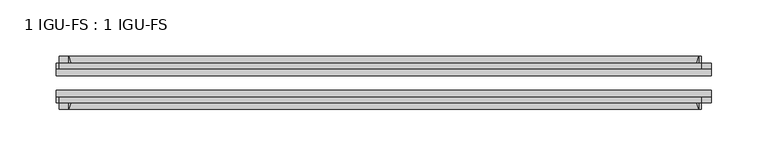
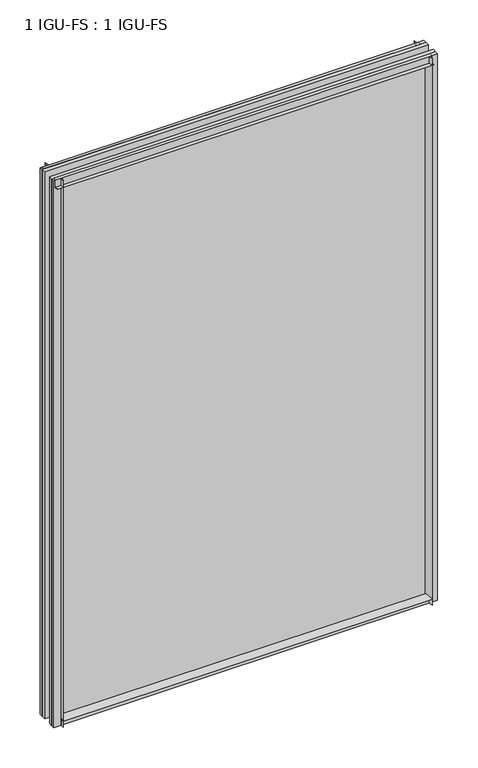
"""IFC4 building model written with IfcOpenShell, lengths in millimetres: plate geometry, 1 IGU-FS : 1 IGU-FS."""

from ifc_helpers import new_model, si_unit, point, frame, frame_2d, origin, place, context, project, spatial, polyline, circle_curve, trimmed, segment, composite_curve, outline, extrude, source, transform, mapped, element, save


def plate_1_igu_fs_1_igu_fs_018899ae(model_context):
    return source(origin(), model_context, "Body", "SweptSolid", [
        extrude(outline(composite_curve([segment(polyline([(-44.859575, -9.525), (-44.859575, 0.0), (-50.8285753, 0.0)]), True, "CONTINUOUS"), segment(trimmed(circle_curve(frame_2d((-56.4601953, 32.279754)), 32.7673262), [point((-50.8285753, 0.0))], [point((-40.084375, 3.8978906))], True, "CARTESIAN"), True, "CONTINUOUS"), segment(polyline([(-40.084375, 3.8978906), (-40.084375, -9.525), (-44.859575, -9.525)]), True, "CONTINUOUS")], self_intersect=False)), frame((-279.3996031, 0.0, 0.0), z_axis=(1.0, 0.0, 0.0), x_axis=(0.0, 1.0, 0.0)), (0.0, 0.0, 1.0), 558.7992062),
        extrude(outline(composite_curve([segment(polyline([(-9.909175, -9.525), (-14.684375, -9.525), (-14.684375, 3.8978906)]), True, "CONTINUOUS"), segment(trimmed(circle_curve(frame_2d((1.6914453, 32.279754)), 32.7673262), [point((-14.684375, 3.8978906))], [point((-3.9401747, 0.0))], True, "CARTESIAN"), True, "CONTINUOUS"), segment(polyline([(-3.9401747, 0.0), (-9.909175, 0.0), (-9.909175, -9.525)]), True, "CONTINUOUS")], self_intersect=False)), frame((-279.3996031, 0.0, 0.0), z_axis=(1.0, 0.0, 0.0), x_axis=(0.0, 1.0, 0.0)), (0.0, 0.0, 1.0), 558.7992062),
        extrude(outline(composite_curve([segment(polyline([(-9.909175, 865.1875), (-9.909175, 854.075), (-3.9401753, 854.075)]), True, "CONTINUOUS"), segment(trimmed(circle_curve(frame_2d((1.6914453, 821.7952461)), 32.7673262), [point((-3.9401753, 854.075))], [point((-14.684375, 850.1771095))], True, "CARTESIAN"), True, "CONTINUOUS"), segment(polyline([(-14.684375, 850.1771095), (-14.684375, 865.1875), (-9.909175, 865.1875)]), True, "CONTINUOUS")], self_intersect=False)), frame((-287.9123418, 0.0, 0.0), z_axis=(1.0, 0.0, 0.0), x_axis=(0.0, 1.0, 0.0)), (0.0, 0.0, 1.0), 569.8579064),
        extrude(outline(composite_curve([segment(polyline([(-40.084375, 865.1875), (-40.084375, 850.1771095)]), True, "CONTINUOUS"), segment(trimmed(circle_curve(frame_2d((-56.4601953, 821.7952461)), 32.7673262), [point((-40.084375, 850.1771095))], [point((-50.8285747, 854.075))], True, "CARTESIAN"), True, "CONTINUOUS"), segment(polyline([(-50.8285747, 854.075), (-44.859575, 854.075), (-44.859575, 865.1875), (-40.084375, 865.1875)]), True, "CONTINUOUS")], self_intersect=False)), frame((-287.9123418, 0.0, 0.0), z_axis=(1.0, 0.0, 0.0), x_axis=(0.0, 1.0, 0.0)), (0.0, 0.0, 1.0), 569.8579064),
        extrude(outline(composite_curve([segment(polyline([(290.5121031, -9.909175), (290.5121031, -14.684375), (275.5017126, -14.684375)]), True, "CONTINUOUS"), segment(trimmed(circle_curve(frame_2d((247.1198492, 1.6914453)), 32.7673262), [point((275.5017126, -14.684375))], [point((279.3996031, -3.940175))], True, "CARTESIAN"), True, "CONTINUOUS"), segment(polyline([(279.3996031, -3.940175), (279.3996031, -9.909175), (290.5121031, -9.909175)]), True, "CONTINUOUS")], self_intersect=False)), frame((0.0, 0.0, -9.525), z_axis=(0.0, 0.0, 1.0), x_axis=(1.0, 0.0, 0.0)), (0.0, 0.0, 1.0), 874.7125),
        extrude(outline(composite_curve([segment(polyline([(290.5121031, -40.084375), (290.5121031, -44.859575), (279.3996031, -44.859575), (279.3996031, -50.828575)]), True, "CONTINUOUS"), segment(trimmed(circle_curve(frame_2d((247.1198492, -56.4601953)), 32.7673262), [point((279.3996031, -50.828575))], [point((275.5017126, -40.084375))], True, "CARTESIAN"), True, "CONTINUOUS"), segment(polyline([(275.5017126, -40.084375), (290.5121031, -40.084375)]), True, "CONTINUOUS")], self_intersect=False)), frame((0.0, 0.0, -9.525), z_axis=(0.0, 0.0, 1.0), x_axis=(1.0, 0.0, 0.0)), (0.0, 0.0, 1.0), 874.7125),
        extrude(outline(composite_curve([segment(polyline([(-290.5121031, -9.909175), (-279.3996031, -9.909175), (-279.3996031, -3.940175)]), True, "CONTINUOUS"), segment(trimmed(circle_curve(frame_2d((-247.1198492, 1.6914453)), 32.7673262), [point((-279.3996031, -3.940175))], [point((-275.5017126, -14.684375))], True, "CARTESIAN"), True, "CONTINUOUS"), segment(polyline([(-275.5017126, -14.684375), (-290.5121031, -14.684375), (-290.5121031, -9.909175)]), True, "CONTINUOUS")], self_intersect=False)), frame((0.0, 0.0, -9.525), z_axis=(0.0, 0.0, 1.0), x_axis=(1.0, 0.0, 0.0)), (0.0, 0.0, 1.0), 874.7125),
        extrude(outline(composite_curve([segment(polyline([(-290.5121031, -44.859575), (-290.5121031, -40.084375), (-275.5017126, -40.084375)]), True, "CONTINUOUS"), segment(trimmed(circle_curve(frame_2d((-247.1198492, -56.4601953)), 32.7673262), [point((-275.5017126, -40.084375))], [point((-279.3996031, -50.828575))], True, "CARTESIAN"), True, "CONTINUOUS"), segment(polyline([(-279.3996031, -50.828575), (-279.3996031, -44.859575), (-290.5121031, -44.859575)]), True, "CONTINUOUS")], self_intersect=False)), frame((0.0, 0.0, -9.525), z_axis=(0.0, 0.0, 1.0), x_axis=(1.0, 0.0, 0.0)), (0.0, 0.0, 1.0), 874.7125),
        extrude(outline(polyline([(-290.5121031, -40.084375), (-290.5121031, -33.785175), (290.5121031, -33.785175), (290.5121031, -40.084375), (-290.5121031, -40.084375)])), frame((0.0, 0.0, -9.525), z_axis=(0.0, 0.0, 1.0), x_axis=(1.0, 0.0, 0.0)), (0.0, 0.0, 1.0), 874.7125),
        extrude(outline(polyline([(290.5121031, -20.983575), (-290.5121031, -20.983575), (-290.5121031, -14.684375), (290.5121031, -14.684375), (290.5121031, -20.983575)])), frame((0.0, 0.0, -9.525), z_axis=(0.0, 0.0, 1.0), x_axis=(1.0, 0.0, 0.0)), (0.0, 0.0, 1.0), 874.7125),
    ])


if __name__ == "__main__":
    model = new_model("IFC4")
    model_context = context("Model", 3, world=origin())
    ifc_project = project(units=[si_unit("LENGTHUNIT", "METRE", prefix="MILLI")], contexts=[model_context])
    site = spatial("IfcSite", under=ifc_project)
    building = spatial("IfcBuilding", under=site)
    placement = place(None, origin())
    plate_1_igu_fs_1_igu_fs_shape = plate_1_igu_fs_1_igu_fs_018899ae(model_context)
    element("IfcPlate", 1, ObjectType="1 IGU-FS : 1 IGU-FS", at=placement, inside=building, context=model_context, shape_type="MappedRepresentation", body=[
        mapped(plate_1_igu_fs_1_igu_fs_shape, transform((0.0, 0.0, 0.0), x_axis=(1.0, 0.0, 0.0), y_axis=(0.0, 1.0, 0.0), z_axis=(0.0, 0.0, 1.0))),
    ])
    save(model, "model.ifc")
